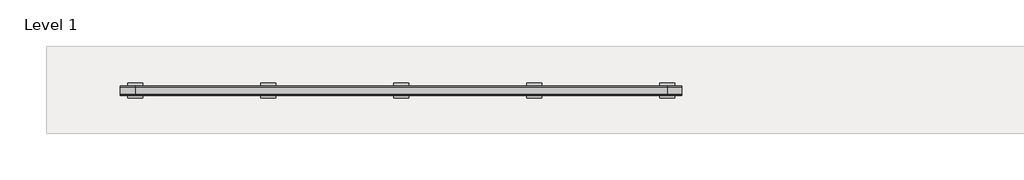
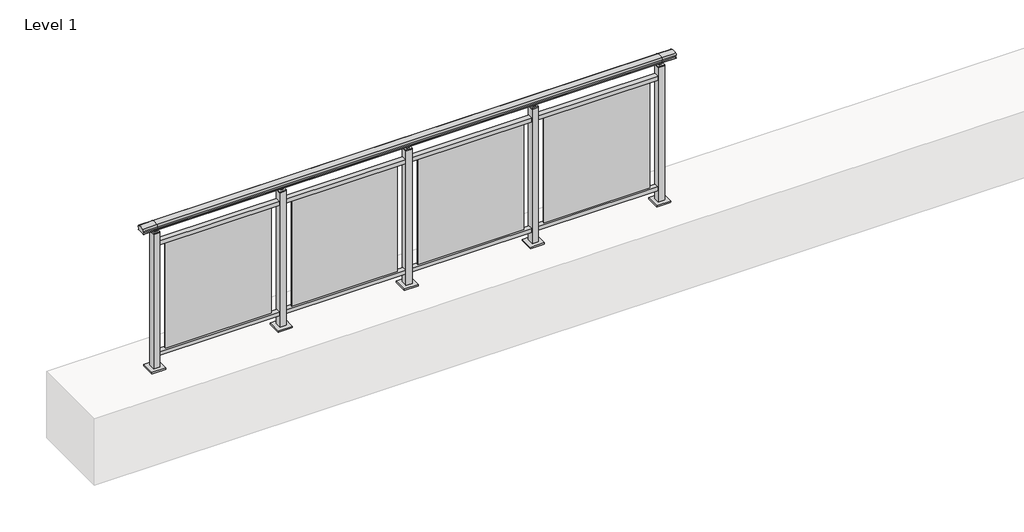
# One storey, part 22 of 64: 1 railing.
"""IFC4 building model written with IfcOpenShell, lengths in millimetres."""

from ifc_helpers import new_model, si_unit, frame, origin, origin_with_axes, place, context, project, spatial, polyline, circle_curve, outline, extrude, element, save
from ifc_brep_helpers import plane_surface, cylinder_surface, revolved_surface, advanced_brep

model = new_model("IFC4")

# Units and contexts
model_context = context("Model", 3, world=origin())
ifc_project = project(units=[si_unit("LENGTHUNIT", "METRE", prefix="MILLI")], contexts=[model_context])

# Site, building, storey
site = spatial("IfcSite", under=ifc_project)
building = spatial("IfcBuilding", under=site)
storey = spatial("IfcBuildingStorey", under=building, Name="Level 1", Elevation=0.0)

# Railing
placement = place(None, origin())
element("IfcRailing", 1, at=placement, inside=storey, context=model_context, shape_type="SolidModel", body=[
    advanced_brep(
    [(29900.0, 7715.3633756, 1095.6691182), (29900.0, 7720.1846828, 1081.1334092), (29900.0, 7719.2413744, 1069.2539035), (29900.0, 7721.1364177, 1061.4863007), (29900.0, 7719.4894799, 1060.384124), (29900.0, 7719.4894799, 1062.0), (29900.0, 7660.8798858, 1062.0), (29900.0, 7660.8798858, 1060.384124), (29900.0, 7659.232948, 1061.4863007), (29900.0, 7661.1279912, 1069.2539035), (29900.0, 7660.1846828, 1081.1334092), (29900.0, 7665.00599, 1095.6691182), (33700.0, 7715.3633756, 1095.6691182), (33700.0, 7665.00599, 1095.6691182), (33700.0, 7660.1846828, 1081.1334092), (33700.0, 7661.1279912, 1069.2539035), (33700.0, 7659.232948, 1061.4863007), (33700.0, 7660.8798858, 1060.384124), (33700.0, 7660.8798858, 1062.0), (33700.0, 7719.4894799, 1062.0), (33700.0, 7719.4894799, 1060.384124), (33700.0, 7721.1364177, 1061.4863007), (33700.0, 7719.2413744, 1069.2539035), (33700.0, 7720.1846828, 1081.1334092), (30000.0, 7715.3633756, 1095.6691182), (30000.0, 7720.1846828, 1081.1334092), (30000.0, 7719.2413744, 1069.2539035), (30000.0, 7721.1364177, 1061.4863007), (30000.0, 7719.4894799, 1060.384124), (30000.0, 7719.4894799, 1062.0), (30000.0, 7660.8798858, 1062.0), (30000.0, 7660.8798858, 1060.384124), (30000.0, 7659.232948, 1061.4863007), (30000.0, 7661.1279912, 1069.2539035), (30000.0, 7660.1846828, 1081.1334092), (30000.0, 7665.00599, 1095.6691182), (33600.0, 7715.3633756, 1095.6691182), (33600.0, 7720.1846828, 1081.1334092), (33600.0, 7719.2413744, 1069.2539035), (33600.0, 7721.1364177, 1061.4863007), (33600.0, 7719.4894799, 1060.384124), (33600.0, 7719.4894799, 1062.0), (33600.0, 7660.8798858, 1062.0), (33600.0, 7660.8798858, 1060.384124), (33600.0, 7659.232948, 1061.4863007), (33600.0, 7661.1279912, 1069.2539035), (33600.0, 7660.1846828, 1081.1334092), (33600.0, 7665.00599, 1095.6691182)],
    [
        (0, 1, circle_curve(frame((29900.0, 7712.1223845, 1086.526686), z_axis=(-1.0, 0.0, 0.0), x_axis=(0.0, -1.0, 0.0)), 9.6999015)),
        (1, 2, circle_curve(frame((29900.0, 7737.7252545, 1073.7633709), z_axis=(1.0, 0.0, 0.0), x_axis=(0.0, -1.0, 0.0)), 19.0260117)),
        (2, 3),
        (3, 4, circle_curve(frame((29900.0, 7720.2772073, 1060.9886194), z_axis=(-1.0, 0.0, 0.0), x_axis=(0.0, -1.0, 0.0)), 0.9929396)),
        (4, 5),
        (5, 6),
        (6, 7),
        (7, 8, circle_curve(frame((29900.0, 7660.0921584, 1060.9886194), z_axis=(-1.0, 0.0, 0.0), x_axis=(0.0, 1.0, 0.0)), 0.9929396)),
        (8, 9),
        (9, 10, circle_curve(frame((29900.0, 7642.6441111, 1073.7633709), z_axis=(1.0, 0.0, 0.0), x_axis=(0.0, 1.0, 0.0)), 19.0260117)),
        (10, 11, circle_curve(frame((29900.0, 7668.2469812, 1086.526686), z_axis=(-1.0, 0.0, 0.0), x_axis=(0.0, 1.0, 0.0)), 9.6999015)),
        (11, 0, circle_curve(frame((29900.0, 7690.1846828, 1024.6431628), z_axis=(-1.0, 0.0, 0.0), x_axis=(0.0, 1.0, 0.0)), 75.3568372)),
        (12, 13, circle_curve(frame((33700.0, 7690.1846828, 1024.6431628), z_axis=(1.0, 0.0, 0.0), x_axis=(0.0, 1.0, 0.0)), 75.3568372)),
        (13, 14, circle_curve(frame((33700.0, 7668.2469812, 1086.526686), z_axis=(1.0, 0.0, 0.0), x_axis=(0.0, 1.0, 0.0)), 9.6999015)),
        (14, 15, circle_curve(frame((33700.0, 7642.6441111, 1073.7633709), z_axis=(-1.0, 0.0, 0.0), x_axis=(0.0, 1.0, 0.0)), 19.0260117)),
        (15, 16),
        (16, 17, circle_curve(frame((33700.0, 7660.0921584, 1060.9886194), z_axis=(1.0, 0.0, 0.0), x_axis=(0.0, 1.0, 0.0)), 0.9929396)),
        (17, 18),
        (18, 19),
        (19, 20),
        (20, 21, circle_curve(frame((33700.0, 7720.2772073, 1060.9886194), z_axis=(1.0, 0.0, 0.0), x_axis=(0.0, -1.0, 0.0)), 0.9929396)),
        (21, 22),
        (22, 23, circle_curve(frame((33700.0, 7737.7252545, 1073.7633709), z_axis=(-1.0, 0.0, 0.0), x_axis=(0.0, -1.0, 0.0)), 19.0260117)),
        (23, 12, circle_curve(frame((33700.0, 7712.1223845, 1086.526686), z_axis=(1.0, 0.0, 0.0), x_axis=(0.0, -1.0, 0.0)), 9.6999015)),
        (0, 24),
        (24, 25, circle_curve(frame((30000.0, 7712.1223845, 1086.526686), z_axis=(-1.0, 0.0, 0.0), x_axis=(0.0, -1.0, 0.0)), 9.6999015)),
        (25, 1),
        (25, 26, circle_curve(frame((30000.0, 7737.7252545, 1073.7633709), z_axis=(1.0, 0.0, 0.0), x_axis=(0.0, -1.0, 0.0)), 19.0260117)),
        (26, 2),
        (26, 27),
        (27, 3),
        (27, 28, circle_curve(frame((30000.0, 7720.2772073, 1060.9886194), z_axis=(-1.0, 0.0, 0.0), x_axis=(0.0, -1.0, 0.0)), 0.9929396)),
        (28, 4),
        (28, 29),
        (29, 5),
        (29, 30),
        (30, 6),
        (30, 31),
        (31, 7),
        (31, 32, circle_curve(frame((30000.0, 7660.0921584, 1060.9886194), z_axis=(-1.0, 0.0, 0.0), x_axis=(0.0, 1.0, 0.0)), 0.9929396)),
        (32, 8),
        (32, 33),
        (33, 9),
        (33, 34, circle_curve(frame((30000.0, 7642.6441111, 1073.7633709), z_axis=(1.0, 0.0, 0.0), x_axis=(0.0, 1.0, 0.0)), 19.0260117)),
        (34, 10),
        (34, 35, circle_curve(frame((30000.0, 7668.2469812, 1086.526686), z_axis=(-1.0, 0.0, 0.0), x_axis=(0.0, 1.0, 0.0)), 9.6999015)),
        (35, 11),
        (35, 24, circle_curve(frame((30000.0, 7690.1846828, 1024.6431628), z_axis=(-1.0, 0.0, 0.0), x_axis=(0.0, 1.0, 0.0)), 75.3568372)),
        (24, 36),
        (36, 37, circle_curve(frame((33600.0, 7712.1223845, 1086.526686), z_axis=(-1.0, 0.0, 0.0), x_axis=(0.0, -1.0, 0.0)), 9.6999015)),
        (37, 25),
        (37, 38, circle_curve(frame((33600.0, 7737.7252545, 1073.7633709), z_axis=(1.0, 0.0, 0.0), x_axis=(0.0, -1.0, 0.0)), 19.0260117)),
        (38, 26),
        (38, 39),
        (39, 27),
        (39, 40, circle_curve(frame((33600.0, 7720.2772073, 1060.9886194), z_axis=(-1.0, 0.0, 0.0), x_axis=(0.0, -1.0, 0.0)), 0.9929396)),
        (40, 28),
        (40, 41),
        (41, 29),
        (41, 42),
        (42, 30),
        (42, 43),
        (43, 31),
        (43, 44, circle_curve(frame((33600.0, 7660.0921584, 1060.9886194), z_axis=(-1.0, 0.0, 0.0), x_axis=(0.0, 1.0, 0.0)), 0.9929396)),
        (44, 32),
        (44, 45),
        (45, 33),
        (45, 46, circle_curve(frame((33600.0, 7642.6441111, 1073.7633709), z_axis=(1.0, 0.0, 0.0), x_axis=(0.0, 1.0, 0.0)), 19.0260117)),
        (46, 34),
        (46, 47, circle_curve(frame((33600.0, 7668.2469812, 1086.526686), z_axis=(-1.0, 0.0, 0.0), x_axis=(0.0, 1.0, 0.0)), 9.6999015)),
        (47, 35),
        (47, 36, circle_curve(frame((33600.0, 7690.1846828, 1024.6431628), z_axis=(-1.0, 0.0, 0.0), x_axis=(0.0, 1.0, 0.0)), 75.3568372)),
        (36, 12),
        (23, 37),
        (22, 38),
        (21, 39),
        (20, 40),
        (19, 41),
        (18, 42),
        (17, 43),
        (16, 44),
        (15, 45),
        (14, 46),
        (13, 47),
    ],
    [
        plane_surface(frame((29900.0, 7690.1846828, 1100.0), z_axis=(-1.0, 0.0, 0.0), x_axis=(0.0, 1.0, 0.0))),
        plane_surface(frame((33700.0, 7690.1846828, 1100.0), z_axis=(1.0, 0.0, 0.0), x_axis=(0.0, 1.0, 0.0))),
        cylinder_surface(frame((29900.0, 7712.1223845, 1086.526686), z_axis=(-1.0, 0.0, 0.0), x_axis=(0.0, -1.0, 0.0)), 9.6999015),
        revolved_surface(polyline([(30000.0, 7718.6992428, 1073.7633709), (29900.0, 7718.6992428, 1073.7633709)]), (29900.0, 7737.7252545, 1073.7633709), (1.0, 0.0, 0.0)),
        plane_surface(frame((29900.0, 7719.2413744, 1069.2539035), z_axis=(0.0, 0.9715057689301543, 0.2370159086125439), x_axis=(1.0, 0.0, 0.0))),
        cylinder_surface(frame((29900.0, 7720.2772073, 1060.9886194), z_axis=(-1.0, 0.0, 0.0), x_axis=(0.0, -1.0, 0.0)), 0.9929396),
        plane_surface(frame((29900.0, 7719.4894799, 1060.384124), z_axis=(0.0, -1.0, 0.0), x_axis=(1.0, 0.0, 0.0))),
        plane_surface(frame((29900.0, 7719.4894799, 1062.0), z_axis=(0.0, 0.0, -1.0), x_axis=(1.0, 0.0, 0.0))),
        plane_surface(frame((29900.0, 7660.8798858, 1062.0), z_axis=(0.0, 1.0, 0.0), x_axis=(1.0, 0.0, 0.0))),
        cylinder_surface(frame((29900.0, 7660.0921584, 1060.9886194), z_axis=(-1.0, 0.0, 0.0), x_axis=(0.0, 1.0, 0.0)), 0.9929396),
        plane_surface(frame((29900.0, 7659.232948, 1061.4863007), z_axis=(0.0, -0.9715057689301543, 0.2370159086125439), x_axis=(1.0, 0.0, 0.0))),
        revolved_surface(polyline([(30000.0, 7661.6701228, 1073.7633709), (29900.0, 7661.6701228, 1073.7633709)]), (29900.0, 7642.6441111, 1073.7633709), (1.0, 0.0, 0.0)),
        cylinder_surface(frame((29900.0, 7668.2469812, 1086.526686), z_axis=(-1.0, 0.0, 0.0), x_axis=(0.0, 1.0, 0.0)), 9.6999015),
        cylinder_surface(frame((29900.0, 7690.1846828, 1024.6431628), z_axis=(-1.0, 0.0, 0.0), x_axis=(0.0, 1.0, 0.0)), 75.3568372),
        cylinder_surface(frame((30000.0, 7712.1223845, 1086.526686), z_axis=(-1.0, 0.0, 0.0), x_axis=(0.0, -1.0, 0.0)), 9.6999015),
        revolved_surface(polyline([(33600.0, 7718.6992428, 1073.7633709), (30000.0, 7718.6992428, 1073.7633709)]), (30000.0, 7737.7252545, 1073.7633709), (1.0, 0.0, 0.0)),
        plane_surface(frame((30000.0, 7719.2413744, 1069.2539035), z_axis=(0.0, 0.9715057689301543, 0.2370159086125439), x_axis=(1.0, 0.0, 0.0))),
        cylinder_surface(frame((30000.0, 7720.2772073, 1060.9886194), z_axis=(-1.0, 0.0, 0.0), x_axis=(0.0, -1.0, 0.0)), 0.9929396),
        plane_surface(frame((30000.0, 7719.4894799, 1060.384124), z_axis=(0.0, -1.0, 0.0), x_axis=(1.0, 0.0, 0.0))),
        plane_surface(frame((30000.0, 7719.4894799, 1062.0), z_axis=(0.0, 0.0, -1.0), x_axis=(1.0, 0.0, 0.0))),
        plane_surface(frame((30000.0, 7660.8798858, 1062.0), z_axis=(0.0, 1.0, 0.0), x_axis=(1.0, 0.0, 0.0))),
        cylinder_surface(frame((30000.0, 7660.0921584, 1060.9886194), z_axis=(-1.0, 0.0, 0.0), x_axis=(0.0, 1.0, 0.0)), 0.9929396),
        plane_surface(frame((30000.0, 7659.232948, 1061.4863007), z_axis=(0.0, -0.9715057689301543, 0.2370159086125439), x_axis=(1.0, 0.0, 0.0))),
        revolved_surface(polyline([(33600.0, 7661.6701228, 1073.7633709), (30000.0, 7661.6701228, 1073.7633709)]), (30000.0, 7642.6441111, 1073.7633709), (1.0, 0.0, 0.0)),
        cylinder_surface(frame((30000.0, 7668.2469812, 1086.526686), z_axis=(-1.0, 0.0, 0.0), x_axis=(0.0, 1.0, 0.0)), 9.6999015),
        cylinder_surface(frame((30000.0, 7690.1846828, 1024.6431628), z_axis=(-1.0, 0.0, 0.0), x_axis=(0.0, 1.0, 0.0)), 75.3568372),
        cylinder_surface(frame((33600.0, 7712.1223845, 1086.526686), z_axis=(-1.0, 0.0, 0.0), x_axis=(0.0, -1.0, 0.0)), 9.6999015),
        revolved_surface(polyline([(33700.0, 7718.6992428, 1073.7633709), (33600.0, 7718.6992428, 1073.7633709)]), (33600.0, 7737.7252545, 1073.7633709), (1.0, 0.0, 0.0)),
        plane_surface(frame((33600.0, 7719.2413744, 1069.2539035), z_axis=(0.0, 0.9715057689301543, 0.2370159086125439), x_axis=(1.0, 0.0, 0.0))),
        cylinder_surface(frame((33600.0, 7720.2772073, 1060.9886194), z_axis=(-1.0, 0.0, 0.0), x_axis=(0.0, -1.0, 0.0)), 0.9929396),
        plane_surface(frame((33600.0, 7719.4894799, 1060.384124), z_axis=(0.0, -1.0, 0.0), x_axis=(1.0, 0.0, 0.0))),
        plane_surface(frame((33600.0, 7719.4894799, 1062.0), z_axis=(0.0, 0.0, -1.0), x_axis=(1.0, 0.0, 0.0))),
        plane_surface(frame((33600.0, 7660.8798858, 1062.0), z_axis=(0.0, 1.0, 0.0), x_axis=(1.0, 0.0, 0.0))),
        cylinder_surface(frame((33600.0, 7660.0921584, 1060.9886194), z_axis=(-1.0, 0.0, 0.0), x_axis=(0.0, 1.0, 0.0)), 0.9929396),
        plane_surface(frame((33600.0, 7659.232948, 1061.4863007), z_axis=(0.0, -0.9715057689301543, 0.2370159086125439), x_axis=(1.0, 0.0, 0.0))),
        revolved_surface(polyline([(33700.0, 7661.6701228, 1073.7633709), (33600.0, 7661.6701228, 1073.7633709)]), (33600.0, 7642.6441111, 1073.7633709), (1.0, 0.0, 0.0)),
        cylinder_surface(frame((33600.0, 7668.2469812, 1086.526686), z_axis=(-1.0, 0.0, 0.0), x_axis=(0.0, 1.0, 0.0)), 9.6999015),
        cylinder_surface(frame((33600.0, 7690.1846828, 1024.6431628), z_axis=(-1.0, 0.0, 0.0), x_axis=(0.0, 1.0, 0.0)), 75.3568372),
    ],
    [
        (0, [[1, 2, 3, 4, 5, 6, 7, 8, 9, 10, 11, 12]]),
        (1, [[13, 14, 15, 16, 17, 18, 19, 20, 21, 22, 23, 24]]),
        (2, [[-1, 25, 26, 27]]),
        (3, [[-2, -27, 28, 29]]),
        (4, [[-3, -29, 30, 31]]),
        (5, [[-4, -31, 32, 33]]),
        (6, [[-5, -33, 34, 35]]),
        (7, [[-6, -35, 36, 37]]),
        (8, [[-7, -37, 38, 39]]),
        (9, [[-8, -39, 40, 41]]),
        (10, [[-9, -41, 42, 43]]),
        (11, [[-10, -43, 44, 45]]),
        (12, [[-11, -45, 46, 47]]),
        (13, [[-12, -47, 48, -25]]),
        (14, [[-26, 49, 50, 51]]),
        (15, [[-28, -51, 52, 53]]),
        (16, [[-30, -53, 54, 55]]),
        (17, [[-32, -55, 56, 57]]),
        (18, [[-34, -57, 58, 59]]),
        (19, [[-36, -59, 60, 61]]),
        (20, [[-38, -61, 62, 63]]),
        (21, [[-40, -63, 64, 65]]),
        (22, [[-42, -65, 66, 67]]),
        (23, [[-44, -67, 68, 69]]),
        (24, [[-46, -69, 70, 71]]),
        (25, [[-48, -71, 72, -49]]),
        (26, [[-50, 73, -24, 74]]),
        (27, [[-52, -74, -23, 75]]),
        (28, [[-54, -75, -22, 76]]),
        (29, [[-56, -76, -21, 77]]),
        (30, [[-58, -77, -20, 78]]),
        (31, [[-60, -78, -19, 79]]),
        (32, [[-62, -79, -18, 80]]),
        (33, [[-64, -80, -17, 81]]),
        (34, [[-66, -81, -16, 82]]),
        (35, [[-68, -82, -15, 83]]),
        (36, [[-70, -83, -14, 84]]),
        (37, [[-72, -84, -13, -73]]),
    ],
),
    extrude(outline(polyline([(30000.0, 7672.6846828), (30000.0, 7707.6846828), (33600.0, 7707.6846828), (33600.0, 7672.6846828), (30000.0, 7672.6846828)])), frame((0.0, 0.0, 930.0), z_axis=(0.0, 0.0, 1.0), x_axis=(1.0, 0.0, 0.0)), (0.0, 0.0, 1.0), 30.0),
    extrude(outline(polyline([(30000.0, 7672.6846828), (30000.0, 7707.6846828), (33600.0, 7707.6846828), (33600.0, 7672.6846828), (30000.0, 7672.6846828)])), frame((0.0, 0.0, 95.0), z_axis=(0.0, 0.0, 1.0), x_axis=(1.0, 0.0, 0.0)), (0.0, 0.0, 1.0), 30.0),
    extrude(outline(polyline([(32772.5, 7691.9598727), (33527.5, 7691.9598727), (33527.5, 7685.9598727), (32772.5, 7685.9598727), (32772.5, 7691.9598727)])), frame((0.0, 0.0, 125.0), z_axis=(0.0, 0.0, 1.0), x_axis=(1.0, 0.0, 0.0)), (0.0, 0.0, 1.0), 805.0),
    extrude(outline(polyline([(32710.0, 7680.1846828), (32690.0, 7680.1846828), (32690.0, 7700.1846828), (32710.0, 7700.1846828), (32710.0, 7680.1846828)])), frame((0.0, 0.0, 1035.0), z_axis=(0.0, 0.0, 1.0), x_axis=(1.0, 0.0, 0.0)), (0.0, 0.0, 1.0), 20.0),
    extrude(outline(polyline([(32722.5, 7667.6846828), (32677.5, 7667.6846828), (32677.5, 7712.6846828), (32722.5, 7712.6846828), (32722.5, 7667.6846828)])), frame((0.0, 0.0, 1027.0), z_axis=(0.0, 0.0, 1.0), x_axis=(1.0, 0.0, 0.0)), (0.0, 0.0, 1.0), 8.0),
    extrude(outline(polyline([(32750.0, 7640.1846828), (32650.0, 7640.1846828), (32650.0, 7740.1846828), (32750.0, 7740.1846828), (32750.0, 7640.1846828)])), origin_with_axes(), (0.0, 0.0, 1.0), 12.0),
    extrude(outline(polyline([(32722.5, 7667.6846828), (32677.5, 7667.6846828), (32677.5, 7712.6846828), (32722.5, 7712.6846828), (32722.5, 7667.6846828)])), frame((0.0, 0.0, 12.0), z_axis=(0.0, 0.0, 1.0), x_axis=(1.0, 0.0, 0.0)), (0.0, 0.0, 1.0), 1015.0),
    extrude(outline(polyline([(31872.5, 7691.9598727), (32627.5, 7691.9598727), (32627.5, 7685.9598727), (31872.5, 7685.9598727), (31872.5, 7691.9598727)])), frame((0.0, 0.0, 125.0), z_axis=(0.0, 0.0, 1.0), x_axis=(1.0, 0.0, 0.0)), (0.0, 0.0, 1.0), 805.0),
    extrude(outline(polyline([(31810.0, 7680.1846828), (31790.0, 7680.1846828), (31790.0, 7700.1846828), (31810.0, 7700.1846828), (31810.0, 7680.1846828)])), frame((0.0, 0.0, 1035.0), z_axis=(0.0, 0.0, 1.0), x_axis=(1.0, 0.0, 0.0)), (0.0, 0.0, 1.0), 20.0),
    extrude(outline(polyline([(31822.5, 7667.6846828), (31777.5, 7667.6846828), (31777.5, 7712.6846828), (31822.5, 7712.6846828), (31822.5, 7667.6846828)])), frame((0.0, 0.0, 1027.0), z_axis=(0.0, 0.0, 1.0), x_axis=(1.0, 0.0, 0.0)), (0.0, 0.0, 1.0), 8.0),
    extrude(outline(polyline([(31850.0, 7640.1846828), (31750.0, 7640.1846828), (31750.0, 7740.1846828), (31850.0, 7740.1846828), (31850.0, 7640.1846828)])), origin_with_axes(), (0.0, 0.0, 1.0), 12.0),
    extrude(outline(polyline([(31822.5, 7667.6846828), (31777.5, 7667.6846828), (31777.5, 7712.6846828), (31822.5, 7712.6846828), (31822.5, 7667.6846828)])), frame((0.0, 0.0, 12.0), z_axis=(0.0, 0.0, 1.0), x_axis=(1.0, 0.0, 0.0)), (0.0, 0.0, 1.0), 1015.0),
    extrude(outline(polyline([(30972.5, 7691.9598727), (31727.5, 7691.9598727), (31727.5, 7685.9598727), (30972.5, 7685.9598727), (30972.5, 7691.9598727)])), frame((0.0, 0.0, 125.0), z_axis=(0.0, 0.0, 1.0), x_axis=(1.0, 0.0, 0.0)), (0.0, 0.0, 1.0), 805.0),
    extrude(outline(polyline([(30910.0, 7680.1846828), (30890.0, 7680.1846828), (30890.0, 7700.1846828), (30910.0, 7700.1846828), (30910.0, 7680.1846828)])), frame((0.0, 0.0, 1035.0), z_axis=(0.0, 0.0, 1.0), x_axis=(1.0, 0.0, 0.0)), (0.0, 0.0, 1.0), 20.0),
    extrude(outline(polyline([(30922.5, 7667.6846828), (30877.5, 7667.6846828), (30877.5, 7712.6846828), (30922.5, 7712.6846828), (30922.5, 7667.6846828)])), frame((0.0, 0.0, 1027.0), z_axis=(0.0, 0.0, 1.0), x_axis=(1.0, 0.0, 0.0)), (0.0, 0.0, 1.0), 8.0),
    extrude(outline(polyline([(30950.0, 7640.1846828), (30850.0, 7640.1846828), (30850.0, 7740.1846828), (30950.0, 7740.1846828), (30950.0, 7640.1846828)])), origin_with_axes(), (0.0, 0.0, 1.0), 12.0),
    extrude(outline(polyline([(30922.5, 7667.6846828), (30877.5, 7667.6846828), (30877.5, 7712.6846828), (30922.5, 7712.6846828), (30922.5, 7667.6846828)])), frame((0.0, 0.0, 12.0), z_axis=(0.0, 0.0, 1.0), x_axis=(1.0, 0.0, 0.0)), (0.0, 0.0, 1.0), 1015.0),
    extrude(outline(polyline([(30072.5, 7691.9598727), (30827.5, 7691.9598727), (30827.5, 7685.9598727), (30072.5, 7685.9598727), (30072.5, 7691.9598727)])), frame((0.0, 0.0, 125.0), z_axis=(0.0, 0.0, 1.0), x_axis=(1.0, 0.0, 0.0)), (0.0, 0.0, 1.0), 805.0),
    extrude(outline(polyline([(33610.0, 7680.1846828), (33590.0, 7680.1846828), (33590.0, 7700.1846828), (33610.0, 7700.1846828), (33610.0, 7680.1846828)])), frame((0.0, 0.0, 1035.0), z_axis=(0.0, 0.0, 1.0), x_axis=(1.0, 0.0, 0.0)), (0.0, 0.0, 1.0), 20.0),
    extrude(outline(polyline([(33622.5, 7667.6846828), (33577.5, 7667.6846828), (33577.5, 7712.6846828), (33622.5, 7712.6846828), (33622.5, 7667.6846828)])), frame((0.0, 0.0, 1027.0), z_axis=(0.0, 0.0, 1.0), x_axis=(1.0, 0.0, 0.0)), (0.0, 0.0, 1.0), 8.0),
    extrude(outline(polyline([(33650.0, 7640.1846828), (33550.0, 7640.1846828), (33550.0, 7740.1846828), (33650.0, 7740.1846828), (33650.0, 7640.1846828)])), origin_with_axes(), (0.0, 0.0, 1.0), 12.0),
    extrude(outline(polyline([(33622.5, 7667.6846828), (33577.5, 7667.6846828), (33577.5, 7712.6846828), (33622.5, 7712.6846828), (33622.5, 7667.6846828)])), frame((0.0, 0.0, 12.0), z_axis=(0.0, 0.0, 1.0), x_axis=(1.0, 0.0, 0.0)), (0.0, 0.0, 1.0), 1015.0),
    extrude(outline(polyline([(30010.0, 7680.1846828), (29990.0, 7680.1846828), (29990.0, 7700.1846828), (30010.0, 7700.1846828), (30010.0, 7680.1846828)])), frame((0.0, 0.0, 1035.0), z_axis=(0.0, 0.0, 1.0), x_axis=(1.0, 0.0, 0.0)), (0.0, 0.0, 1.0), 20.0),
    extrude(outline(polyline([(30022.5, 7667.6846828), (29977.5, 7667.6846828), (29977.5, 7712.6846828), (30022.5, 7712.6846828), (30022.5, 7667.6846828)])), frame((0.0, 0.0, 1027.0), z_axis=(0.0, 0.0, 1.0), x_axis=(1.0, 0.0, 0.0)), (0.0, 0.0, 1.0), 8.0),
    extrude(outline(polyline([(30050.0, 7640.1846828), (29950.0, 7640.1846828), (29950.0, 7740.1846828), (30050.0, 7740.1846828), (30050.0, 7640.1846828)])), origin_with_axes(), (0.0, 0.0, 1.0), 12.0),
    extrude(outline(polyline([(30022.5, 7667.6846828), (29977.5, 7667.6846828), (29977.5, 7712.6846828), (30022.5, 7712.6846828), (30022.5, 7667.6846828)])), frame((0.0, 0.0, 12.0), z_axis=(0.0, 0.0, 1.0), x_axis=(1.0, 0.0, 0.0)), (0.0, 0.0, 1.0), 1015.0),
])

save(model, "model.ifc")
